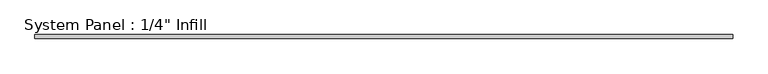
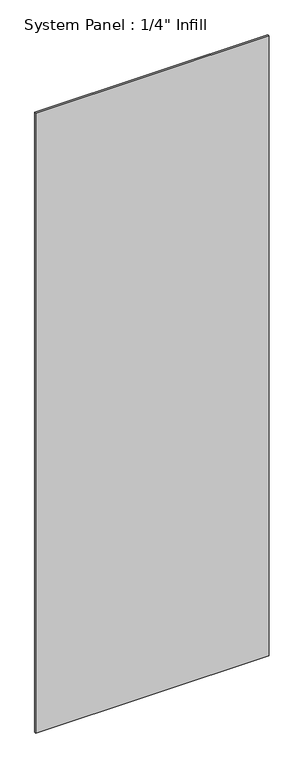
"""IFC4 building model written with IfcOpenShell, lengths in millimetres: plate geometry."""

import ifcopenshell
import ifcopenshell.guid

model = None  # the IFC model being written
_history = None  # IfcOwnerHistory: only IFC2X3 demands one
_inside = {}  # id of a spatial element -> (the spatial element, [elements in it])
_under = {}  # id of a project, library or spatial element -> (it, [spatial elements below it])
_declared = {}  # id of a project -> (the project, [libraries it declares])
_typed = {}  # id of a type object -> (the type object, [elements of that type])
_made_of = {}  # id of a material, layer set ... -> (it, [elements and type objects made of it])


def new_model(schema):
    """Start an empty IFC model of exactly this schema.

    Asked for "IFC4X3", IfcOpenShell would pick the latest addendum, in which some entities
    have other attributes; the version numbers below select the first issue.
    IFC2X3 requires an IfcOwnerHistory on every rooted entity: one is made here for all.
    """
    global model, _history
    if schema == "IFC4X3":
        model = ifcopenshell.file(schema_version=(4, 3, 0, 0))
    else:
        model = ifcopenshell.file(schema=schema)
    _inside.clear()
    _under.clear()
    _declared.clear()
    _typed.clear()
    _made_of.clear()
    _history = None
    if model.schema == "IFC2X3":
        org = make("IfcOrganization", Name="unknown")
        user = make(
            "IfcPersonAndOrganization",
            ThePerson=make("IfcPerson", FamilyName="unknown"),
            TheOrganization=org,
        )
        app = make(
            "IfcApplication",
            ApplicationDeveloper=org,
            Version="unknown",
            ApplicationFullName="unknown",
            ApplicationIdentifier="unknown",
        )
        _history = make(
            "IfcOwnerHistory",
            OwningUser=user,
            OwningApplication=app,
            ChangeAction="ADDED",
            CreationDate=0,
        )
    return model


def make(cls, **values):
    """One entity of the class cls with the attributes given. An attribute that is None is left unset."""
    return model.create_entity(
        cls, **{name: value for name, value in values.items() if value is not None}
    )


def rooted(cls, **values):
    """An entity with a GlobalId (a new one), such as an element, a storey or a relation."""
    return make(cls, GlobalId=ifcopenshell.guid.new(), OwnerHistory=_history, **values)


def si_unit(unit_type, name, prefix=None):
    """IfcSIUnit, for example si_unit("LENGTHUNIT", "METRE", prefix="MILLI")."""
    return make("IfcSIUnit", UnitType=unit_type, Prefix=prefix, Name=name)


def assignment(units):
    """IfcUnitAssignment: the units of a project."""
    return None if units is None else make("IfcUnitAssignment", Units=units)


def point(xyz):
    """IfcCartesianPoint."""
    return None if xyz is None else make("IfcCartesianPoint", Coordinates=xyz)


def direction(xyz):
    """IfcDirection."""
    return None if xyz is None else make("IfcDirection", DirectionRatios=xyz)


def frame(location, z_axis=None, x_axis=None):
    """IfcAxis2Placement3D, a coordinate frame: its origin and axes. An axis left out is left unset."""
    return make(
        "IfcAxis2Placement3D",
        Location=point(location),
        Axis=direction(z_axis),
        RefDirection=direction(x_axis),
    )


def origin():
    """The frame at (0, 0, 0) with its axes left unset."""
    return frame((0.0, 0.0, 0.0))


def origin_with_axes():
    """The frame at (0, 0, 0) with the z axis (0, 0, 1) and the x axis (1, 0, 0) written out."""
    return frame((0.0, 0.0, 0.0), z_axis=(0.0, 0.0, 1.0), x_axis=(1.0, 0.0, 0.0))


def place(relative_to, where):
    """IfcLocalPlacement: puts the frame where relative to a parent placement (None: the world)."""
    return make(
        "IfcLocalPlacement", PlacementRelTo=relative_to, RelativePlacement=where
    )


def context(
    kind, dimensions, precision=None, world=None, true_north=None, identifier=None
):
    """IfcGeometricRepresentationContext, for example the 3D "Model" context."""
    return make(
        "IfcGeometricRepresentationContext",
        ContextIdentifier=identifier,
        ContextType=kind,
        CoordinateSpaceDimension=dimensions,
        Precision=precision,
        WorldCoordinateSystem=world,
        TrueNorth=true_north,
    )


def project(units=None, contexts=None):
    """IfcProject with its units and contexts."""
    return rooted(
        "IfcProject",
        Name="project",
        RepresentationContexts=contexts,
        UnitsInContext=assignment(units),
    )


def spatial(cls, under=None, at=None, **own):
    """A site, building, storey or space (cls), placed at a placement, below another one or the project."""
    s = rooted(cls, ObjectPlacement=at, **own)
    if under is not None:
        _under.setdefault(under.id(), (under, []))[1].append(s)
    return s


def polyline(points):
    """IfcPolyline through the points."""
    return make("IfcPolyline", Points=[point(p) for p in points])


def outline(outer, holes=None, kind="AREA"):
    """IfcArbitraryClosedProfileDef: a profile drawn as a closed curve; with holes, ...WithVoids."""
    if holes is None:
        return make("IfcArbitraryClosedProfileDef", ProfileType=kind, OuterCurve=outer)
    return make(
        "IfcArbitraryProfileDefWithVoids",
        ProfileType=kind,
        OuterCurve=outer,
        InnerCurves=holes,
    )


def extrude(swept, where, along, depth):
    """IfcExtrudedAreaSolid: the profile swept, set in the frame where, extruded along a direction by depth."""
    return make(
        "IfcExtrudedAreaSolid",
        SweptArea=swept,
        Position=where,
        ExtrudedDirection=direction(along),
        Depth=depth,
    )


def shape(context_of_items, identifier, shape_type, items):
    """IfcShapeRepresentation: the items that make up one representation, for example the "Body"."""
    return make(
        "IfcShapeRepresentation",
        ContextOfItems=context_of_items,
        RepresentationIdentifier=identifier,
        RepresentationType=shape_type,
        Items=items,
    )


def source(mapping_origin, context_of_items, identifier, shape_type, items):
    """IfcRepresentationMap: a shape defined once, which mapped items show again and again."""
    return make(
        "IfcRepresentationMap",
        MappingOrigin=mapping_origin,
        MappedRepresentation=shape(context_of_items, identifier, shape_type, items),
    )


def transform(
    local_origin,
    x_axis=None,
    y_axis=None,
    z_axis=None,
    scale=None,
    scale2=None,
    scale3=None,
    uniform=True,
):
    """IfcCartesianTransformationOperator3D, or its non-uniform kind. x_axis, y_axis, z_axis: its Axis1, 2, 3."""
    if uniform:
        return make(
            "IfcCartesianTransformationOperator3D",
            Axis1=direction(x_axis),
            Axis2=direction(y_axis),
            LocalOrigin=point(local_origin),
            Scale=scale,
            Axis3=direction(z_axis),
        )
    return make(
        "IfcCartesianTransformationOperator3DnonUniform",
        Axis1=direction(x_axis),
        Axis2=direction(y_axis),
        LocalOrigin=point(local_origin),
        Scale=scale,
        Axis3=direction(z_axis),
        Scale2=scale2,
        Scale3=scale3,
    )


def mapped(mapping_source, mapping_target):
    """IfcMappedItem: shows the shape of a source again, moved by a transform."""
    return make(
        "IfcMappedItem", MappingSource=mapping_source, MappingTarget=mapping_target
    )


def made_of(thing, what):
    """Note that an element or type object is made of a material, layer set ...; save() writes the relation."""
    if what is not None:
        _made_of.setdefault(what.id(), (what, []))[1].append(thing)
    return thing


def element(
    cls,
    number,
    at=None,
    inside=None,
    cuts=None,
    type_object=None,
    material=None,
    context=None,
    identifier="Body",
    shape_type=None,
    held_by="IfcProductDefinitionShape",
    body=None,
    shapes=None,
    **own,
):
    """One element of the class cls, such as IfcWall. Its Tag is "e" and its number.

    at: its placement. inside: the storey or other place that contains it. cuts: it is an
    opening in that element (IfcRelVoidsElement). A single representation is given by context,
    identifier, shape_type and body (its items); several are given by shapes. held_by: the class
    of the entity that holds the representations. save() writes the other relations.
    """
    e = rooted(cls, Tag="e%d" % number, ObjectPlacement=at, **own)
    if body is not None:
        shapes = [shape(context, identifier, shape_type, body)]
    if shapes is not None:
        e.Representation = make(held_by, Representations=shapes)
    if inside is not None:
        _inside.setdefault(inside.id(), (inside, []))[1].append(e)
    if cuts is not None:
        rooted(
            "IfcRelVoidsElement", RelatingBuildingElement=cuts, RelatedOpeningElement=e
        )
    if type_object is not None:
        _typed.setdefault(type_object.id(), (type_object, []))[1].append(e)
    return made_of(e, material)


def aggregate(whole, parts):
    """IfcRelAggregates: a whole, such as a stair, and the parts it consists of."""
    return rooted("IfcRelAggregates", RelatingObject=whole, RelatedObjects=parts)


def save(model, path):
    """Write the relations noted so far, then the file.

    IfcRelAggregates (storeys below a building ...), IfcRelContainedInSpatialStructure (elements
    in a storey), IfcRelDefinesByType, IfcRelAssociatesMaterial and IfcRelDeclares: one each for
    every whole, place, type object, material and project.
    """
    for whole, parts in _under.values():
        aggregate(whole, parts)
    for where, things in _inside.values():
        rooted(
            "IfcRelContainedInSpatialStructure",
            RelatedElements=things,
            RelatingStructure=where,
        )
    for kind, things in _typed.values():
        rooted("IfcRelDefinesByType", RelatedObjects=things, RelatingType=kind)
    for what, things in _made_of.values():
        rooted("IfcRelAssociatesMaterial", RelatedObjects=things, RelatingMaterial=what)
    for by, libraries in _declared.values():
        rooted("IfcRelDeclares", RelatingContext=by, RelatedDefinitions=libraries)
    model.write(path)


def plate_7ebc54de(model_context):
    return source(origin(), model_context, "Body", "SweptSolid", [
        extrude(outline(polyline([(542.9249171, 25.4), (-542.9249171, 25.4), (-542.9249171, 31.75), (542.9249171, 31.75), (542.9249171, 25.4)])), origin_with_axes(), (0.0, 0.0, 1.0), 3048.0),
    ])


if __name__ == "__main__":
    model = new_model("IFC4")
    model_context = context("Model", 3, world=origin())
    ifc_project = project(units=[si_unit("LENGTHUNIT", "METRE", prefix="MILLI")], contexts=[model_context])
    site = spatial("IfcSite", under=ifc_project)
    building = spatial("IfcBuilding", under=site)
    placement = place(None, origin())
    plate_shape = plate_7ebc54de(model_context)
    element("IfcPlate", 1, ObjectType="System Panel : 1/4\" Infill", at=placement, inside=building, context=model_context, shape_type="MappedRepresentation", body=[
        mapped(plate_shape, transform((0.0, 0.0, 0.0), x_axis=(1.0, 0.0, 0.0), y_axis=(0.0, 1.0, 0.0), z_axis=(0.0, 0.0, 1.0))),
    ])
    save(model, "model.ifc")
